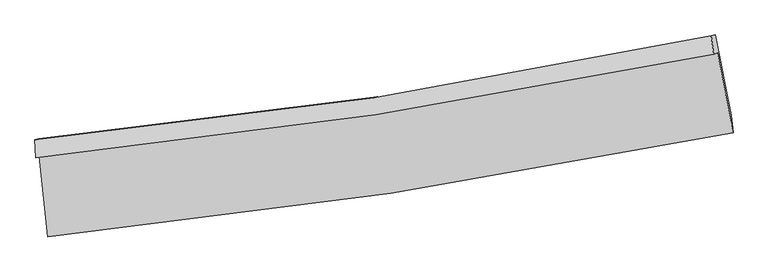
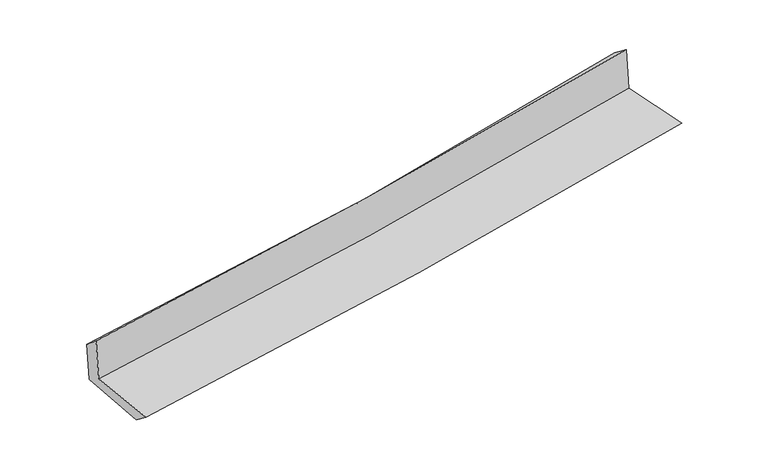
"""IFC4 building model written with IfcOpenShell, lengths in millimetres: proxy geometry."""

import ifcopenshell
import ifcopenshell.guid

model = None  # the IFC model being written
_history = None  # IfcOwnerHistory: only IFC2X3 demands one
_inside = {}  # id of a spatial element -> (the spatial element, [elements in it])
_under = {}  # id of a project, library or spatial element -> (it, [spatial elements below it])
_declared = {}  # id of a project -> (the project, [libraries it declares])
_typed = {}  # id of a type object -> (the type object, [elements of that type])
_made_of = {}  # id of a material, layer set ... -> (it, [elements and type objects made of it])


def new_model(schema):
    """Start an empty IFC model of exactly this schema.

    Asked for "IFC4X3", IfcOpenShell would pick the latest addendum, in which some entities
    have other attributes; the version numbers below select the first issue.
    IFC2X3 requires an IfcOwnerHistory on every rooted entity: one is made here for all.
    """
    global model, _history
    if schema == "IFC4X3":
        model = ifcopenshell.file(schema_version=(4, 3, 0, 0))
    else:
        model = ifcopenshell.file(schema=schema)
    _inside.clear()
    _under.clear()
    _declared.clear()
    _typed.clear()
    _made_of.clear()
    _history = None
    if model.schema == "IFC2X3":
        org = make("IfcOrganization", Name="unknown")
        user = make(
            "IfcPersonAndOrganization",
            ThePerson=make("IfcPerson", FamilyName="unknown"),
            TheOrganization=org,
        )
        app = make(
            "IfcApplication",
            ApplicationDeveloper=org,
            Version="unknown",
            ApplicationFullName="unknown",
            ApplicationIdentifier="unknown",
        )
        _history = make(
            "IfcOwnerHistory",
            OwningUser=user,
            OwningApplication=app,
            ChangeAction="ADDED",
            CreationDate=0,
        )
    return model


def make(cls, **values):
    """One entity of the class cls with the attributes given. An attribute that is None is left unset."""
    return model.create_entity(
        cls, **{name: value for name, value in values.items() if value is not None}
    )


def rooted(cls, **values):
    """An entity with a GlobalId (a new one), such as an element, a storey or a relation."""
    return make(cls, GlobalId=ifcopenshell.guid.new(), OwnerHistory=_history, **values)


def si_unit(unit_type, name, prefix=None):
    """IfcSIUnit, for example si_unit("LENGTHUNIT", "METRE", prefix="MILLI")."""
    return make("IfcSIUnit", UnitType=unit_type, Prefix=prefix, Name=name)


def assignment(units):
    """IfcUnitAssignment: the units of a project."""
    return None if units is None else make("IfcUnitAssignment", Units=units)


def point(xyz):
    """IfcCartesianPoint."""
    return None if xyz is None else make("IfcCartesianPoint", Coordinates=xyz)


def direction(xyz):
    """IfcDirection."""
    return None if xyz is None else make("IfcDirection", DirectionRatios=xyz)


def frame(location, z_axis=None, x_axis=None):
    """IfcAxis2Placement3D, a coordinate frame: its origin and axes. An axis left out is left unset."""
    return make(
        "IfcAxis2Placement3D",
        Location=point(location),
        Axis=direction(z_axis),
        RefDirection=direction(x_axis),
    )


def origin():
    """The frame at (0, 0, 0) with its axes left unset."""
    return frame((0.0, 0.0, 0.0))


def place(relative_to, where):
    """IfcLocalPlacement: puts the frame where relative to a parent placement (None: the world)."""
    return make(
        "IfcLocalPlacement", PlacementRelTo=relative_to, RelativePlacement=where
    )


def context(
    kind, dimensions, precision=None, world=None, true_north=None, identifier=None
):
    """IfcGeometricRepresentationContext, for example the 3D "Model" context."""
    return make(
        "IfcGeometricRepresentationContext",
        ContextIdentifier=identifier,
        ContextType=kind,
        CoordinateSpaceDimension=dimensions,
        Precision=precision,
        WorldCoordinateSystem=world,
        TrueNorth=true_north,
    )


def project(units=None, contexts=None):
    """IfcProject with its units and contexts."""
    return rooted(
        "IfcProject",
        Name="project",
        RepresentationContexts=contexts,
        UnitsInContext=assignment(units),
    )


def spatial(cls, under=None, at=None, **own):
    """A site, building, storey or space (cls), placed at a placement, below another one or the project."""
    s = rooted(cls, ObjectPlacement=at, **own)
    if under is not None:
        _under.setdefault(under.id(), (under, []))[1].append(s)
    return s


def shape(context_of_items, identifier, shape_type, items):
    """IfcShapeRepresentation: the items that make up one representation, for example the "Body"."""
    return make(
        "IfcShapeRepresentation",
        ContextOfItems=context_of_items,
        RepresentationIdentifier=identifier,
        RepresentationType=shape_type,
        Items=items,
    )


def source(mapping_origin, context_of_items, identifier, shape_type, items):
    """IfcRepresentationMap: a shape defined once, which mapped items show again and again."""
    return make(
        "IfcRepresentationMap",
        MappingOrigin=mapping_origin,
        MappedRepresentation=shape(context_of_items, identifier, shape_type, items),
    )


def transform(
    local_origin,
    x_axis=None,
    y_axis=None,
    z_axis=None,
    scale=None,
    scale2=None,
    scale3=None,
    uniform=True,
):
    """IfcCartesianTransformationOperator3D, or its non-uniform kind. x_axis, y_axis, z_axis: its Axis1, 2, 3."""
    if uniform:
        return make(
            "IfcCartesianTransformationOperator3D",
            Axis1=direction(x_axis),
            Axis2=direction(y_axis),
            LocalOrigin=point(local_origin),
            Scale=scale,
            Axis3=direction(z_axis),
        )
    return make(
        "IfcCartesianTransformationOperator3DnonUniform",
        Axis1=direction(x_axis),
        Axis2=direction(y_axis),
        LocalOrigin=point(local_origin),
        Scale=scale,
        Axis3=direction(z_axis),
        Scale2=scale2,
        Scale3=scale3,
    )


def mapped(mapping_source, mapping_target):
    """IfcMappedItem: shows the shape of a source again, moved by a transform."""
    return make(
        "IfcMappedItem", MappingSource=mapping_source, MappingTarget=mapping_target
    )


def made_of(thing, what):
    """Note that an element or type object is made of a material, layer set ...; save() writes the relation."""
    if what is not None:
        _made_of.setdefault(what.id(), (what, []))[1].append(thing)
    return thing


def element(
    cls,
    number,
    at=None,
    inside=None,
    cuts=None,
    type_object=None,
    material=None,
    context=None,
    identifier="Body",
    shape_type=None,
    held_by="IfcProductDefinitionShape",
    body=None,
    shapes=None,
    **own,
):
    """One element of the class cls, such as IfcWall. Its Tag is "e" and its number.

    at: its placement. inside: the storey or other place that contains it. cuts: it is an
    opening in that element (IfcRelVoidsElement). A single representation is given by context,
    identifier, shape_type and body (its items); several are given by shapes. held_by: the class
    of the entity that holds the representations. save() writes the other relations.
    """
    e = rooted(cls, Tag="e%d" % number, ObjectPlacement=at, **own)
    if body is not None:
        shapes = [shape(context, identifier, shape_type, body)]
    if shapes is not None:
        e.Representation = make(held_by, Representations=shapes)
    if inside is not None:
        _inside.setdefault(inside.id(), (inside, []))[1].append(e)
    if cuts is not None:
        rooted(
            "IfcRelVoidsElement", RelatingBuildingElement=cuts, RelatedOpeningElement=e
        )
    if type_object is not None:
        _typed.setdefault(type_object.id(), (type_object, []))[1].append(e)
    return made_of(e, material)


def aggregate(whole, parts):
    """IfcRelAggregates: a whole, such as a stair, and the parts it consists of."""
    return rooted("IfcRelAggregates", RelatingObject=whole, RelatedObjects=parts)


def save(model, path):
    """Write the relations noted so far, then the file.

    IfcRelAggregates (storeys below a building ...), IfcRelContainedInSpatialStructure (elements
    in a storey), IfcRelDefinesByType, IfcRelAssociatesMaterial and IfcRelDeclares: one each for
    every whole, place, type object, material and project.
    """
    for whole, parts in _under.values():
        aggregate(whole, parts)
    for where, things in _inside.values():
        rooted(
            "IfcRelContainedInSpatialStructure",
            RelatedElements=things,
            RelatingStructure=where,
        )
    for kind, things in _typed.values():
        rooted("IfcRelDefinesByType", RelatedObjects=things, RelatingType=kind)
    for what, things in _made_of.values():
        rooted("IfcRelAssociatesMaterial", RelatedObjects=things, RelatingMaterial=what)
    for by, libraries in _declared.values():
        rooted("IfcRelDeclares", RelatingContext=by, RelatedDefinitions=libraries)
    model.write(path)


def plane_surface(at):
    """IfcPlane: the flat surface through the origin of the frame at, square to its z axis."""
    return make("IfcPlane", Position=at)


def spline_curve(degree, points, multiplicities, knots, weights=None):
    """IfcBSplineCurveWithKnots; with weights, IfcRationalBSplineCurveWithKnots."""
    own = dict(
        Degree=degree,
        ControlPointsList=[point(p) for p in points],
        CurveForm="UNSPECIFIED",
        ClosedCurve=False,
        SelfIntersect=False,
        KnotMultiplicities=multiplicities,
        Knots=knots,
        KnotSpec="UNSPECIFIED",
    )
    if weights is None:
        return make("IfcBSplineCurveWithKnots", **own)
    return make("IfcRationalBSplineCurveWithKnots", WeightsData=weights, **own)


def spline_surface(u_degree, v_degree, points, u_multiplicities, v_multiplicities, u_knots, v_knots, weights=None):
    """IfcBSplineSurfaceWithKnots; with weights, IfcRationalBSplineSurfaceWithKnots. points: one row for each step in u."""
    own = dict(
        UDegree=u_degree,
        VDegree=v_degree,
        ControlPointsList=[[point(p) for p in row] for row in points],
        SurfaceForm="UNSPECIFIED",
        UClosed=False,
        VClosed=False,
        SelfIntersect=False,
        UMultiplicities=u_multiplicities,
        VMultiplicities=v_multiplicities,
        UKnots=u_knots,
        VKnots=v_knots,
        KnotSpec="UNSPECIFIED",
    )
    if weights is None:
        return make("IfcBSplineSurfaceWithKnots", **own)
    return make("IfcRationalBSplineSurfaceWithKnots", WeightsData=weights, **own)


def advanced_brep(points, edges, surfaces, faces):
    """IfcAdvancedBrep: a solid bounded by faces that lie on surfaces and meet in shared edges.

    An edge is (start, end): straight between two places in points (the first is 0);
    or (start, end, curve); or (start, end, curve, False) where it runs against its curve.
    A face is (place in surfaces, loops), or (place, loops, False) where it looks against
    its surface's normal. A loop lists edges by number (the first is 1), with a minus sign
    where the edge is run from its end to its start. The first loop is the outer one.
    """
    corners = [point(p) for p in points]
    vertices = [make("IfcVertexPoint", VertexGeometry=c) for c in corners]
    made = []
    for start, end, *more in edges:
        made.append(
            make(
                "IfcEdgeCurve",
                EdgeStart=vertices[start],
                EdgeEnd=vertices[end],
                EdgeGeometry=more[0] if more else make("IfcPolyline", Points=[corners[start], corners[end]]),
                SameSense=more[1] if len(more) > 1 else True,
            )
        )
    hull = []
    for where, loops, *sense in faces:
        bounds = []
        for j, loop in enumerate(loops):
            ring = [make("IfcOrientedEdge", EdgeElement=made[abs(k) - 1], Orientation=k > 0) for k in loop]
            bounds.append(
                make(
                    "IfcFaceOuterBound" if j == 0 else "IfcFaceBound",
                    Bound=make("IfcEdgeLoop", EdgeList=ring),
                    Orientation=True,
                )
            )
        hull.append(make("IfcAdvancedFace", Bounds=bounds, FaceSurface=surfaces[where], SameSense=sense[0] if sense else True))
    return make("IfcAdvancedBrep", Outer=make("IfcClosedShell", CfsFaces=hull))


def generic_models_551229d9(model_context):
    return source(origin(), model_context, "Body", "AdvancedBrep", [
        advanced_brep(
        [(-2820.9634768, -1901.9753288, 1640.7365427), (-2751.8825925, -2565.865404, 1628.0356185), (2898.2737312, -1709.2576242, 2128.3611837), (2770.943306, -1048.7493512, 2125.9771626), (-2853.5040282, -1913.0983603, 2045.1590907), (2737.99712, -1060.011037, 2535.4410429), (-2858.489905, -1765.0097275, 1922.8304957), (2718.4895063, -907.9194662, 2420.4955328), (-2828.2876381, -1759.6227662, 1553.5426431), (2750.3691722, -902.2467408, 2036.047539), (-2757.7496523, -2417.0158445, 1515.3518254), (2881.3910495, -1565.6805424, 2001.9795431)],
        [
            (0, 1),
            (1, 2, spline_curve(3, [(-2751.8825925, -2565.865404, 1628.0356185), (-1806.206092207, -2468.891275429, 1719.803099315), (-863.256859693, -2349.168162546, 1807.321823595), (1020.14577292, -2063.775634926, 1974.123794069), (1960.581981759, -1897.96282109, 2053.380258338), (2898.2737312, -1709.2576242, 2128.3611837)], [4, 2, 4], [0.0, 9.350870770772744, 18.73116698847465])),
            (2, 3),
            (3, 0, spline_curve(3, [(2770.943306, -1048.7493512, 2125.9771626), (1844.334326199, -1241.361649082, 2056.935752003), (914.300188676, -1408.842241064, 1981.905411815), (-949.690194233, -1693.093474308, 1820.121023353), (-1883.624984333, -1810.021541236, 1733.404490551), (-2820.9634768, -1901.9753288, 1640.7365427)], [4, 2, 4], [0.0, 9.380296217701908, 18.73116698847465])),
            (4, 0),
            (3, 5),
            (5, 4, spline_curve(3, [(2737.99712, -1060.011037, 2535.4410429), (1811.584137765, -1252.556338756, 2463.963723638), (881.681754129, -1419.99189471, 2387.295910058), (-982.173819662, -1704.197047252, 2223.836079321), (-1916.105152222, -1821.123932402, 2137.076575436), (-2853.5040282, -1913.0983603, 2045.1590907)], [4, 2, 4], [0.0, 9.332091017819556, 18.63490780563508])),
            (6, 4),
            (5, 7),
            (7, 6, spline_curve(3, [(2718.4895063, -907.9194662, 2420.4955328), (1796.60254488, -1105.860775529, 2334.557693489), (870.173566426, -1276.324724067, 2250.053786741), (-988.848022036, -1561.849358275, 2084.174422967), (-1921.412180805, -1677.082163574, 2002.78998424), (-2858.489905, -1765.0097275, 1922.8304957)], [4, 2, 4], [0.0, 9.321605269275597, 18.61396920173413])),
            (8, 6),
            (7, 9),
            (9, 8, spline_curve(3, [(2750.3691722, -902.2467408, 2036.047539), (1828.056055071, -1100.264706626, 1954.305852378), (901.274110604, -1270.790811809, 1873.164043553), (-958.306152572, -1556.410610236, 1712.33283583), (-1891.076478236, -1671.67651357, 1632.639679705), (-2828.2876381, -1759.6227662, 1553.5426431)], [4, 2, 4], [0.0, 9.311600814782151, 18.593991676142593])),
            (10, 8),
            (9, 11),
            (11, 10, spline_curve(3, [(2881.3910495, -1565.6805424, 2001.9795431), (1945.712715994, -1748.482308867, 1920.261021511), (1007.202488748, -1910.907289778, 1838.786128057), (-872.528817337, -2194.558082647, 1676.578414727), (-1813.732157561, -2315.911535954, 1595.844069201), (-2757.7496523, -2417.0158445, 1515.3518254)], [4, 2, 4], [0.0, 9.359215239791599, 18.68907116246298])),
            (1, 10),
            (11, 2),
        ],
        [
            spline_surface(3, 3, [[(-2820.9634768, -1901.9753288, 1640.7365427), (-1883.624984328, -1810.02154124, 1733.404490602), (-949.690194243, -1693.093474222, 1820.12102348), (914.300188687, -1408.84224115, 1981.905411688), (1844.33432622, -1241.361648928, 2056.935752135), (2770.943306, -1048.7493512, 2125.9771626)], [(-2797.936515399, -2123.272020528, 1636.502901281), (-1857.818686972, -2029.64478598, 1728.870693478), (-920.879082713, -1911.785036992, 1815.85462351), (949.582050133, -1627.15337238, 1979.311539175), (1883.083544715, -1460.228706326, 2055.750587511), (2813.386781072, -1268.91877552, 2126.771836309)], [(-2774.909553901, -2344.568712272, 1632.269259919), (-1832.012389519, -2249.268030736, 1724.336896412), (-892.067971255, -2130.476599813, 1811.588223513), (984.863911505, -1845.46450366, 1976.717666634), (1921.832763193, -1679.095763763, 2054.565422859), (2855.830256128, -1489.08819988, 2127.566509991)], [(-2751.8825925, -2565.865404, 1628.0356185), (-1806.206092162, -2468.891275476, 1719.803099288), (-863.256859724, -2349.168162583, 1807.321823543), (1020.145772951, -2063.77563489, 1974.123794121), (1960.581981688, -1897.962821161, 2053.380258235), (2898.2737312, -1709.2576242, 2128.3611837)]], [4, 4], [4, 2, 4], [0.0, 2.1738816678428834], [0.0, 9.350870770772744, 18.73116698847465]),
            spline_surface(3, 3, [[(-2853.5040282, -1913.0983603, 2045.1590907), (-1916.105152129, -1821.12393238, 2137.076575331), (-982.173819695, -1704.197047256, 2223.836079243), (881.681754162, -1419.991894706, 2387.295910136), (1811.584137741, -1252.556338734, 2463.963723606), (2737.99712, -1060.011037, 2535.4410429)], [(-2842.657177702, -1909.390683133, 1910.351574704), (-1905.278429497, -1817.423135333, 2002.519213759), (-971.345944554, -1700.495856258, 2089.264393993), (892.55456566, -1416.275343533, 2252.165743991), (1822.50086723, -1248.824775487, 2328.287733099), (2748.979181996, -1056.257141755, 2398.953082783)], [(-2831.810327298, -1905.683005967, 1775.544058696), (-1894.45170696, -1813.722338287, 1867.961852174), (-960.518069384, -1696.79466522, 1954.692708729), (903.427377189, -1412.558792322, 2117.035577833), (1833.417596731, -1245.093212175, 2192.611742643), (2759.961244004, -1052.503246445, 2262.465122717)], [(-2820.9634768, -1901.9753288, 1640.7365427), (-1883.624984328, -1810.02154124, 1733.404490602), (-949.690194243, -1693.093474222, 1820.12102348), (914.300188687, -1408.84224115, 1981.905411688), (1844.33432622, -1241.361648928, 2056.935752135), (2770.943306, -1048.7493512, 2125.9771626)]], [4, 4], [4, 2, 4], [0.0, 1.3320713819985428], [0.0, 9.302816787815525, 18.63490780563508]),
            spline_surface(3, 3, [[(-2858.489905, -1765.0097275, 1922.8304957), (-1921.41218073, -1677.082163705, 2002.789984347), (-988.848022058, -1561.849358353, 2084.174423112), (870.173566448, -1276.324723989, 2250.053786596), (1796.602544852, -1105.860775564, 2334.557693533), (2718.4895063, -907.9194662, 2420.4955328)], [(-2856.827946074, -1814.372605105, 1963.606694043), (-1919.643171204, -1725.096086602, 2047.552181351), (-986.623287942, -1609.298587978, 2130.728308475), (874.009629014, -1324.213780885, 2295.801161095), (1801.596409156, -1154.759296618, 2377.69303691), (2724.992044207, -958.616656464, 2458.810702853)], [(-2855.165987126, -1863.735482695, 2004.382892357), (-1917.874161655, -1773.110009484, 2092.314378327), (-984.39855381, -1656.747817631, 2177.28219388), (877.845691596, -1372.102837809, 2341.548535637), (1806.590273438, -1203.65781768, 2420.828380229), (2731.494582093, -1009.313846736, 2497.125872847)], [(-2853.5040282, -1913.0983603, 2045.1590907), (-1916.105152129, -1821.12393238, 2137.076575331), (-982.173819695, -1704.197047256, 2223.836079243), (881.681754162, -1419.991894706, 2387.295910136), (1811.584137741, -1252.556338734, 2463.963723606), (2737.99712, -1060.011037, 2535.4410429)]], [4, 4], [4, 2, 4], [0.0, 0.6537222358272512], [0.0, 9.292363932458532, 18.61396920173413]),
            spline_surface(3, 3, [[(-2828.2876381, -1759.6227662, 1553.5426431), (-1891.076478205, -1671.676513485, 1632.639679593), (-958.306152502, -1556.410610144, 1712.332835865), (901.274110533, -1270.790811901, 1873.164043517), (1828.056054918, -1100.264706779, 1954.305852523), (2750.3691722, -902.2467408, 2036.047539)], [(-2838.355060393, -1761.41841994, 1676.638593978), (-1901.18837904, -1673.478396865, 1756.023114522), (-968.486775681, -1558.22352621, 1836.280031613), (890.907262511, -1272.635449259, 1998.793957875), (1817.571551575, -1102.130063021, 2081.056466192), (2739.742616913, -904.137649247, 2164.196870266)], [(-2848.422482707, -1763.21407376, 1799.734544822), (-1911.300279896, -1675.280280325, 1879.406549417), (-978.667398879, -1560.036442288, 1960.227227365), (880.54041447, -1274.48008663, 2124.423872238), (1807.087048195, -1103.995419321, 2207.807079863), (2729.116061587, -906.028557753, 2292.346201534)], [(-2858.489905, -1765.0097275, 1922.8304957), (-1921.41218073, -1677.082163705, 2002.789984347), (-988.848022058, -1561.849358353, 2084.174423112), (870.173566448, -1276.324723989, 2250.053786596), (1796.602544852, -1105.860775564, 2334.557693533), (2718.4895063, -907.9194662, 2420.4955328)]], [4, 4], [4, 2, 4], [0.0, 1.232546951721779], [0.0, 9.282390861360442, 18.593991676142593]),
            spline_surface(3, 3, [[(-2757.7496523, -2417.0158445, 1515.3518254), (-1813.732157523, -2315.911535939, 1595.844069104), (-872.528817478, -2194.558082673, 1676.578414823), (1007.20248889, -1910.907289752, 1838.78612796), (1945.712716125, -1748.482308924, 1920.261021473), (2881.3910495, -1565.6805424, 2001.9795431)], [(-2781.262314254, -2197.88481843, 1528.08209795), (-1839.51359777, -2101.166528484, 1608.109272584), (-901.121262486, -1981.842258514, 1688.496555178), (971.893029438, -1697.535130485, 1850.245433153), (1906.493829049, -1532.409774874, 1931.609298483), (2837.717090393, -1344.535941864, 2013.335541727)], [(-2804.774976146, -1978.75379227, 1540.81237055), (-1865.295037957, -1886.421520939, 1620.374476113), (-929.713707494, -1769.126434304, 1700.414695511), (936.583569985, -1484.162971167, 1861.704738325), (1867.274941994, -1316.33724083, 1942.957575513), (2794.043131307, -1123.391341336, 2024.691540373)], [(-2828.2876381, -1759.6227662, 1553.5426431), (-1891.076478205, -1671.676513485, 1632.639679593), (-958.306152502, -1556.410610144, 1712.332835865), (901.274110533, -1270.790811901, 1873.164043517), (1828.056054918, -1100.264706779, 1954.305852523), (2750.3691722, -902.2467408, 2036.047539)]], [4, 4], [4, 2, 4], [0.0, 2.123484254035724], [0.0, 9.329855922671381, 18.68907116246298]),
            spline_surface(3, 3, [[(-2751.8825925, -2565.865404, 1628.0356185), (-1806.206092162, -2468.891275476, 1719.803099288), (-863.256859724, -2349.168162583, 1807.321823543), (1020.145772951, -2063.77563489, 1974.123794121), (1960.581981688, -1897.962821161, 2053.380258235), (2898.2737312, -1709.2576242, 2128.3611837)], [(-2753.838279079, -2516.248884164, 1590.474354143), (-1808.714780595, -2417.898028961, 1678.48342257), (-866.347512324, -2297.63146928, 1763.740687297), (1015.831344916, -2012.819519844, 1929.011238728), (1955.625559819, -1848.135983764, 2009.007179309), (2892.646170619, -1661.398596949, 2086.233970162)], [(-2755.793965721, -2466.632364336, 1552.913089757), (-1811.223469091, -2366.904782454, 1637.163745822), (-869.438164878, -2246.094775976, 1720.159551069), (1011.516916925, -1961.863404798, 1883.898683353), (1950.669137994, -1798.309146321, 1964.634100398), (2887.018610081, -1613.539569651, 2044.106756638)], [(-2757.7496523, -2417.0158445, 1515.3518254), (-1813.732157523, -2315.911535939, 1595.844069104), (-872.528817478, -2194.558082673, 1676.578414823), (1007.20248889, -1910.907289752, 1838.78612796), (1945.712716125, -1748.482308924, 1920.261021473), (2881.3910495, -1565.6805424, 2001.9795431)]], [4, 4], [4, 2, 4], [0.0, 0.6680365440757502], [0.0, 9.388020439367361, 18.805583228744727]),
            plane_surface(frame((2792.9106475, -1198.9774603, 2208.050334), z_axis=(0.9784009423084613, 0.18891553591163115, 0.08391970198431616), x_axis=(-0.08263064841021338, -0.014703446871567546, 0.9964717680864836))),
            plane_surface(frame((-2811.8128822, -2053.7645719, 1717.6093693), z_axis=(-0.9913954065101213, -0.10157983159806651, -0.08256322282432939), x_axis=(-0.10347718434426152, 0.9944498610132461, 0.019024885043524))),
        ],
        [
            (0, [[1, 2, 3, 4]]),
            (1, [[5, -4, 6, 7]]),
            (2, [[8, -7, 9, 10]]),
            (3, [[11, -10, 12, 13]]),
            (4, [[14, -13, 15, 16]]),
            (5, [[17, -16, 18, -2]]),
            (6, [[-12, -9, -6, -3, -18, -15]]),
            (7, [[-1, -5, -8, -11, -14, -17]]),
        ],
    ),
    ])


if __name__ == "__main__":
    model = new_model("IFC4")
    model_context = context("Model", 3, world=origin())
    ifc_project = project(units=[si_unit("LENGTHUNIT", "METRE", prefix="MILLI")], contexts=[model_context])
    site = spatial("IfcSite", under=ifc_project)
    building = spatial("IfcBuilding", under=site)
    placement = place(None, origin())
    generic_models_shape = generic_models_551229d9(model_context)
    element("IfcBuildingElementProxy", 1, Name="Generic Models", at=placement, inside=building, context=model_context, shape_type="MappedRepresentation", body=[
        mapped(generic_models_shape, transform((0.0, 0.0, 0.0), x_axis=(1.0, 0.0, 0.0), y_axis=(0.0, 1.0, 0.0), z_axis=(0.0, 0.0, 1.0))),
    ])
    save(model, "model.ifc")
